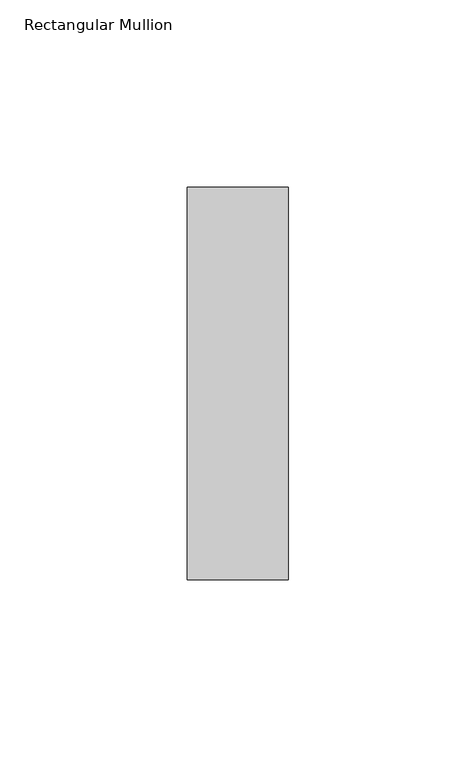
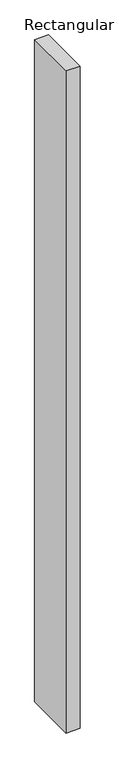
"""IFC4 building model written with IfcOpenShell, lengths in millimetres: member geometry, Rectangular Mullion."""

import ifcopenshell
import ifcopenshell.guid

model = None  # the IFC model being written
_history = None  # IfcOwnerHistory: only IFC2X3 demands one
_inside = {}  # id of a spatial element -> (the spatial element, [elements in it])
_under = {}  # id of a project, library or spatial element -> (it, [spatial elements below it])
_declared = {}  # id of a project -> (the project, [libraries it declares])
_typed = {}  # id of a type object -> (the type object, [elements of that type])
_made_of = {}  # id of a material, layer set ... -> (it, [elements and type objects made of it])


def new_model(schema):
    """Start an empty IFC model of exactly this schema.

    Asked for "IFC4X3", IfcOpenShell would pick the latest addendum, in which some entities
    have other attributes; the version numbers below select the first issue.
    IFC2X3 requires an IfcOwnerHistory on every rooted entity: one is made here for all.
    """
    global model, _history
    if schema == "IFC4X3":
        model = ifcopenshell.file(schema_version=(4, 3, 0, 0))
    else:
        model = ifcopenshell.file(schema=schema)
    _inside.clear()
    _under.clear()
    _declared.clear()
    _typed.clear()
    _made_of.clear()
    _history = None
    if model.schema == "IFC2X3":
        org = make("IfcOrganization", Name="unknown")
        user = make(
            "IfcPersonAndOrganization",
            ThePerson=make("IfcPerson", FamilyName="unknown"),
            TheOrganization=org,
        )
        app = make(
            "IfcApplication",
            ApplicationDeveloper=org,
            Version="unknown",
            ApplicationFullName="unknown",
            ApplicationIdentifier="unknown",
        )
        _history = make(
            "IfcOwnerHistory",
            OwningUser=user,
            OwningApplication=app,
            ChangeAction="ADDED",
            CreationDate=0,
        )
    return model


def make(cls, **values):
    """One entity of the class cls with the attributes given. An attribute that is None is left unset."""
    return model.create_entity(
        cls, **{name: value for name, value in values.items() if value is not None}
    )


def rooted(cls, **values):
    """An entity with a GlobalId (a new one), such as an element, a storey or a relation."""
    return make(cls, GlobalId=ifcopenshell.guid.new(), OwnerHistory=_history, **values)


def si_unit(unit_type, name, prefix=None):
    """IfcSIUnit, for example si_unit("LENGTHUNIT", "METRE", prefix="MILLI")."""
    return make("IfcSIUnit", UnitType=unit_type, Prefix=prefix, Name=name)


def assignment(units):
    """IfcUnitAssignment: the units of a project."""
    return None if units is None else make("IfcUnitAssignment", Units=units)


def point(xyz):
    """IfcCartesianPoint."""
    return None if xyz is None else make("IfcCartesianPoint", Coordinates=xyz)


def direction(xyz):
    """IfcDirection."""
    return None if xyz is None else make("IfcDirection", DirectionRatios=xyz)


def frame(location, z_axis=None, x_axis=None):
    """IfcAxis2Placement3D, a coordinate frame: its origin and axes. An axis left out is left unset."""
    return make(
        "IfcAxis2Placement3D",
        Location=point(location),
        Axis=direction(z_axis),
        RefDirection=direction(x_axis),
    )


def origin():
    """The frame at (0, 0, 0) with its axes left unset."""
    return frame((0.0, 0.0, 0.0))


def place(relative_to, where):
    """IfcLocalPlacement: puts the frame where relative to a parent placement (None: the world)."""
    return make(
        "IfcLocalPlacement", PlacementRelTo=relative_to, RelativePlacement=where
    )


def context(
    kind, dimensions, precision=None, world=None, true_north=None, identifier=None
):
    """IfcGeometricRepresentationContext, for example the 3D "Model" context."""
    return make(
        "IfcGeometricRepresentationContext",
        ContextIdentifier=identifier,
        ContextType=kind,
        CoordinateSpaceDimension=dimensions,
        Precision=precision,
        WorldCoordinateSystem=world,
        TrueNorth=true_north,
    )


def project(units=None, contexts=None):
    """IfcProject with its units and contexts."""
    return rooted(
        "IfcProject",
        Name="project",
        RepresentationContexts=contexts,
        UnitsInContext=assignment(units),
    )


def spatial(cls, under=None, at=None, **own):
    """A site, building, storey or space (cls), placed at a placement, below another one or the project."""
    s = rooted(cls, ObjectPlacement=at, **own)
    if under is not None:
        _under.setdefault(under.id(), (under, []))[1].append(s)
    return s


def polyline(points):
    """IfcPolyline through the points."""
    return make("IfcPolyline", Points=[point(p) for p in points])


def outline(outer, holes=None, kind="AREA"):
    """IfcArbitraryClosedProfileDef: a profile drawn as a closed curve; with holes, ...WithVoids."""
    if holes is None:
        return make("IfcArbitraryClosedProfileDef", ProfileType=kind, OuterCurve=outer)
    return make(
        "IfcArbitraryProfileDefWithVoids",
        ProfileType=kind,
        OuterCurve=outer,
        InnerCurves=holes,
    )


def extrude(swept, where, along, depth):
    """IfcExtrudedAreaSolid: the profile swept, set in the frame where, extruded along a direction by depth."""
    return make(
        "IfcExtrudedAreaSolid",
        SweptArea=swept,
        Position=where,
        ExtrudedDirection=direction(along),
        Depth=depth,
    )


def shape(context_of_items, identifier, shape_type, items):
    """IfcShapeRepresentation: the items that make up one representation, for example the "Body"."""
    return make(
        "IfcShapeRepresentation",
        ContextOfItems=context_of_items,
        RepresentationIdentifier=identifier,
        RepresentationType=shape_type,
        Items=items,
    )


def source(mapping_origin, context_of_items, identifier, shape_type, items):
    """IfcRepresentationMap: a shape defined once, which mapped items show again and again."""
    return make(
        "IfcRepresentationMap",
        MappingOrigin=mapping_origin,
        MappedRepresentation=shape(context_of_items, identifier, shape_type, items),
    )


def transform(
    local_origin,
    x_axis=None,
    y_axis=None,
    z_axis=None,
    scale=None,
    scale2=None,
    scale3=None,
    uniform=True,
):
    """IfcCartesianTransformationOperator3D, or its non-uniform kind. x_axis, y_axis, z_axis: its Axis1, 2, 3."""
    if uniform:
        return make(
            "IfcCartesianTransformationOperator3D",
            Axis1=direction(x_axis),
            Axis2=direction(y_axis),
            LocalOrigin=point(local_origin),
            Scale=scale,
            Axis3=direction(z_axis),
        )
    return make(
        "IfcCartesianTransformationOperator3DnonUniform",
        Axis1=direction(x_axis),
        Axis2=direction(y_axis),
        LocalOrigin=point(local_origin),
        Scale=scale,
        Axis3=direction(z_axis),
        Scale2=scale2,
        Scale3=scale3,
    )


def mapped(mapping_source, mapping_target):
    """IfcMappedItem: shows the shape of a source again, moved by a transform."""
    return make(
        "IfcMappedItem", MappingSource=mapping_source, MappingTarget=mapping_target
    )


def made_of(thing, what):
    """Note that an element or type object is made of a material, layer set ...; save() writes the relation."""
    if what is not None:
        _made_of.setdefault(what.id(), (what, []))[1].append(thing)
    return thing


def element(
    cls,
    number,
    at=None,
    inside=None,
    cuts=None,
    type_object=None,
    material=None,
    context=None,
    identifier="Body",
    shape_type=None,
    held_by="IfcProductDefinitionShape",
    body=None,
    shapes=None,
    **own,
):
    """One element of the class cls, such as IfcWall. Its Tag is "e" and its number.

    at: its placement. inside: the storey or other place that contains it. cuts: it is an
    opening in that element (IfcRelVoidsElement). A single representation is given by context,
    identifier, shape_type and body (its items); several are given by shapes. held_by: the class
    of the entity that holds the representations. save() writes the other relations.
    """
    e = rooted(cls, Tag="e%d" % number, ObjectPlacement=at, **own)
    if body is not None:
        shapes = [shape(context, identifier, shape_type, body)]
    if shapes is not None:
        e.Representation = make(held_by, Representations=shapes)
    if inside is not None:
        _inside.setdefault(inside.id(), (inside, []))[1].append(e)
    if cuts is not None:
        rooted(
            "IfcRelVoidsElement", RelatingBuildingElement=cuts, RelatedOpeningElement=e
        )
    if type_object is not None:
        _typed.setdefault(type_object.id(), (type_object, []))[1].append(e)
    return made_of(e, material)


def aggregate(whole, parts):
    """IfcRelAggregates: a whole, such as a stair, and the parts it consists of."""
    return rooted("IfcRelAggregates", RelatingObject=whole, RelatedObjects=parts)


def save(model, path):
    """Write the relations noted so far, then the file.

    IfcRelAggregates (storeys below a building ...), IfcRelContainedInSpatialStructure (elements
    in a storey), IfcRelDefinesByType, IfcRelAssociatesMaterial and IfcRelDeclares: one each for
    every whole, place, type object, material and project.
    """
    for whole, parts in _under.values():
        aggregate(whole, parts)
    for where, things in _inside.values():
        rooted(
            "IfcRelContainedInSpatialStructure",
            RelatedElements=things,
            RelatingStructure=where,
        )
    for kind, things in _typed.values():
        rooted("IfcRelDefinesByType", RelatedObjects=things, RelatingType=kind)
    for what, things in _made_of.values():
        rooted("IfcRelAssociatesMaterial", RelatedObjects=things, RelatingMaterial=what)
    for by, libraries in _declared.values():
        rooted("IfcRelDeclares", RelatingContext=by, RelatedDefinitions=libraries)
    model.write(path)


def rectangular_mullion_41479b82(model_context):
    return source(origin(), model_context, "Body", "SweptSolid", [
        extrude(outline(polyline([(0.0, 52.3975), (0.0, -52.3975), (-27.0, -52.3975), (-27.0, 52.3975), (0.0, 52.3975)])), frame((0.0, 0.0, -1350.0), z_axis=(0.0, 0.0, 1.0), x_axis=(1.0, 0.0, 0.0)), (0.0, 0.0, 1.0), 1350.0),
    ])


if __name__ == "__main__":
    model = new_model("IFC4")
    model_context = context("Model", 3, world=origin())
    ifc_project = project(units=[si_unit("LENGTHUNIT", "METRE", prefix="MILLI")], contexts=[model_context])
    site = spatial("IfcSite", under=ifc_project)
    building = spatial("IfcBuilding", under=site)
    placement = place(None, origin())
    rectangular_mullion_shape = rectangular_mullion_41479b82(model_context)
    element("IfcMember", 1, ObjectType="Rectangular Mullion", at=placement, inside=building, context=model_context, shape_type="MappedRepresentation", body=[
        mapped(rectangular_mullion_shape, transform((0.0, 0.0, 0.0), x_axis=(1.0, 0.0, 0.0), y_axis=(0.0, 1.0, 0.0), z_axis=(0.0, 0.0, 1.0))),
    ])
    save(model, "model.ifc")
